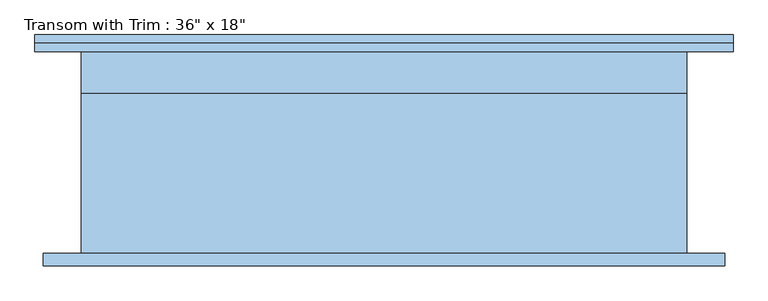
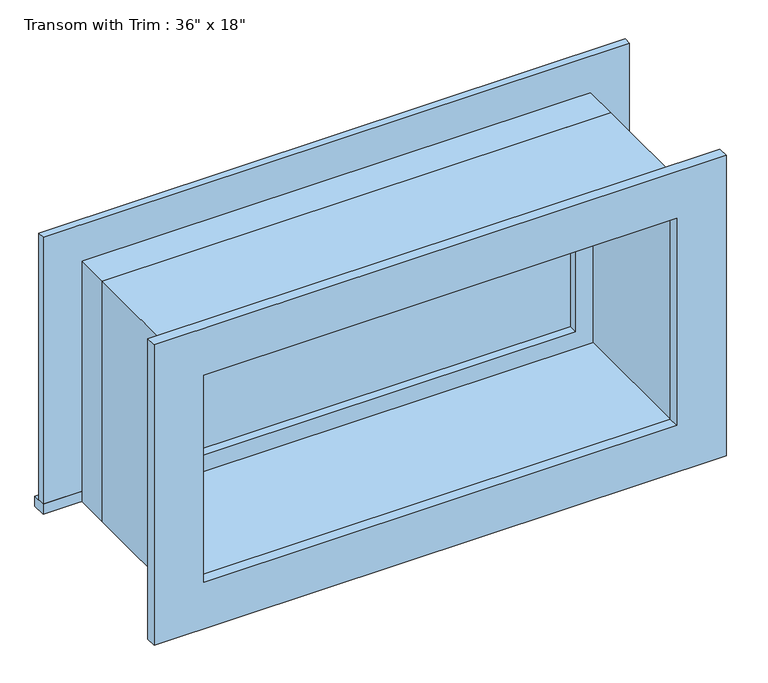
"""IFC4 building model written with IfcOpenShell, lengths in millimetres: window geometry."""

from ifc_helpers import new_model, si_unit, frame, origin, place, context, project, spatial, polyline, outline, extrude, source, transform, mapped, element, save


def window_be88543d(model_context):
    return source(origin(), model_context, "Body", "SweptSolid", [
        extrude(outline(polyline([(-565.15, 177.8), (488.95, 177.8), (488.95, 152.4), (-565.15, 152.4), (-565.15, 177.8)])), frame((0.0, 0.0, 2159.0), z_axis=(0.0, 0.0, 1.0), x_axis=(1.0, 0.0, 0.0)), (0.0, 0.0, 1.0), 19.05),
        extrude(outline(polyline([(2597.15, -476.25), (2597.15, 400.05), (2178.05, 400.05), (2178.05, 488.95), (2686.05, 488.95), (2686.05, -565.15), (2178.05, -565.15), (2178.05, -476.25), (2597.15, -476.25)])), frame((0.0, 152.4, 0.0), z_axis=(0.0, 1.0, 0.0), x_axis=(0.0, 0.0, 1.0)), (0.0, 0.0, 1.0), 12.7),
        extrude(outline(polyline([(2673.35, 476.25), (2673.35, -552.45), (2101.85, -552.45), (2101.85, 476.25), (2673.35, 476.25)]), holes=[polyline([(2584.45, 387.35), (2190.75, 387.35), (2190.75, -463.55), (2584.45, -463.55), (2584.45, 387.35)])]), frame((0.0, -171.45, 0.0), z_axis=(0.0, 1.0, 0.0), x_axis=(0.0, 0.0, 1.0)), (0.0, 0.0, 1.0), 19.05),
        extrude(outline(polyline([(355.6, 104.775), (-431.8, 104.775), (-431.8, 117.475), (355.6, 117.475), (355.6, 104.775)])), frame((0.0, 0.0, 2222.5), z_axis=(0.0, 0.0, 1.0), x_axis=(1.0, 0.0, 0.0)), (0.0, 0.0, 1.0), 330.2),
        extrude(outline(polyline([(2597.15, -476.25), (2178.05, -476.25), (2178.05, 400.05), (2597.15, 400.05), (2597.15, -476.25)]), holes=[polyline([(2552.7, -431.8), (2552.7, 355.6), (2222.5, 355.6), (2222.5, -431.8), (2552.7, -431.8)])]), frame((0.0, 88.9, 0.0), z_axis=(0.0, 1.0, 0.0), x_axis=(0.0, 0.0, 1.0)), (0.0, 0.0, 1.0), 44.45),
        extrude(outline(polyline([(2616.2, -495.3), (2159.0, -495.3), (2159.0, 419.1), (2616.2, 419.1), (2616.2, -495.3)]), holes=[polyline([(2584.45, -463.55), (2584.45, 387.35), (2190.75, 387.35), (2190.75, -463.55), (2584.45, -463.55)])]), frame((0.0, -152.4, 0.0), z_axis=(0.0, 1.0, 0.0), x_axis=(0.0, 0.0, 1.0)), (0.0, 0.0, 1.0), 241.3),
        extrude(outline(polyline([(2616.2, 419.1), (2616.2, -495.3), (2159.0, -495.3), (2159.0, 419.1), (2616.2, 419.1)]), holes=[polyline([(2597.15, 400.05), (2178.05, 400.05), (2178.05, -476.25), (2597.15, -476.25), (2597.15, 400.05)])]), frame((0.0, 88.9, 0.0), z_axis=(0.0, 1.0, 0.0), x_axis=(0.0, 0.0, 1.0)), (0.0, 0.0, 1.0), 63.5),
    ])


if __name__ == "__main__":
    model = new_model("IFC4")
    model_context = context("Model", 3, world=origin())
    ifc_project = project(units=[si_unit("LENGTHUNIT", "METRE", prefix="MILLI")], contexts=[model_context])
    site = spatial("IfcSite", under=ifc_project)
    building = spatial("IfcBuilding", under=site)
    placement = place(None, origin())
    window_shape = window_be88543d(model_context)
    element("IfcWindow", 1, ObjectType="Transom with Trim : 36\" x 18\"", at=placement, inside=building, context=model_context, shape_type="MappedRepresentation", body=[
        mapped(window_shape, transform((0.0, 0.0, 0.0), x_axis=(1.0, 0.0, 0.0), y_axis=(0.0, 1.0, 0.0), z_axis=(0.0, 0.0, 1.0))),
    ])
    save(model, "model.ifc")
